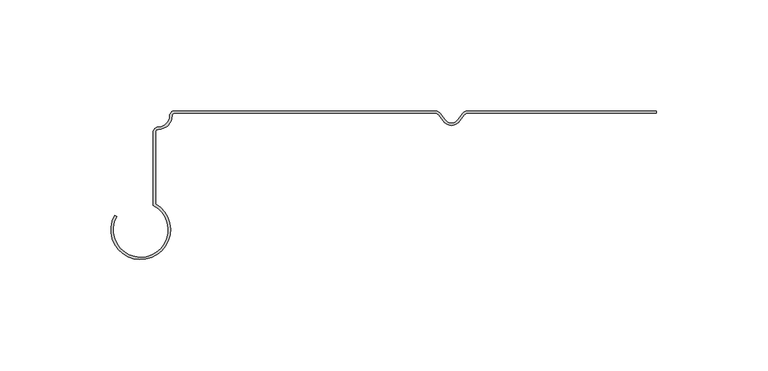
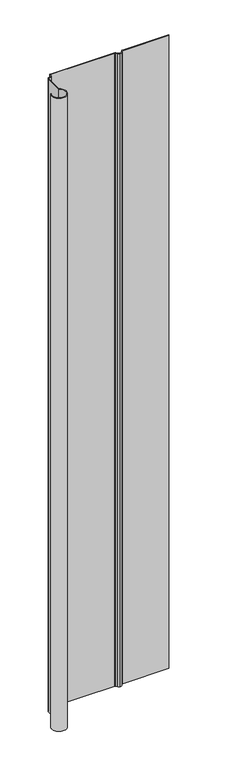
"""IFC4 building model written with IfcOpenShell, lengths in millimetres: plate geometry."""

import ifcopenshell
import ifcopenshell.guid

model = None  # the IFC model being written
_history = None  # IfcOwnerHistory: only IFC2X3 demands one
_inside = {}  # id of a spatial element -> (the spatial element, [elements in it])
_under = {}  # id of a project, library or spatial element -> (it, [spatial elements below it])
_declared = {}  # id of a project -> (the project, [libraries it declares])
_typed = {}  # id of a type object -> (the type object, [elements of that type])
_made_of = {}  # id of a material, layer set ... -> (it, [elements and type objects made of it])


def new_model(schema):
    """Start an empty IFC model of exactly this schema.

    Asked for "IFC4X3", IfcOpenShell would pick the latest addendum, in which some entities
    have other attributes; the version numbers below select the first issue.
    IFC2X3 requires an IfcOwnerHistory on every rooted entity: one is made here for all.
    """
    global model, _history
    if schema == "IFC4X3":
        model = ifcopenshell.file(schema_version=(4, 3, 0, 0))
    else:
        model = ifcopenshell.file(schema=schema)
    _inside.clear()
    _under.clear()
    _declared.clear()
    _typed.clear()
    _made_of.clear()
    _history = None
    if model.schema == "IFC2X3":
        org = make("IfcOrganization", Name="unknown")
        user = make(
            "IfcPersonAndOrganization",
            ThePerson=make("IfcPerson", FamilyName="unknown"),
            TheOrganization=org,
        )
        app = make(
            "IfcApplication",
            ApplicationDeveloper=org,
            Version="unknown",
            ApplicationFullName="unknown",
            ApplicationIdentifier="unknown",
        )
        _history = make(
            "IfcOwnerHistory",
            OwningUser=user,
            OwningApplication=app,
            ChangeAction="ADDED",
            CreationDate=0,
        )
    return model


def make(cls, **values):
    """One entity of the class cls with the attributes given. An attribute that is None is left unset."""
    return model.create_entity(
        cls, **{name: value for name, value in values.items() if value is not None}
    )


def rooted(cls, **values):
    """An entity with a GlobalId (a new one), such as an element, a storey or a relation."""
    return make(cls, GlobalId=ifcopenshell.guid.new(), OwnerHistory=_history, **values)


def si_unit(unit_type, name, prefix=None):
    """IfcSIUnit, for example si_unit("LENGTHUNIT", "METRE", prefix="MILLI")."""
    return make("IfcSIUnit", UnitType=unit_type, Prefix=prefix, Name=name)


def assignment(units):
    """IfcUnitAssignment: the units of a project."""
    return None if units is None else make("IfcUnitAssignment", Units=units)


def point(xyz):
    """IfcCartesianPoint."""
    return None if xyz is None else make("IfcCartesianPoint", Coordinates=xyz)


def direction(xyz):
    """IfcDirection."""
    return None if xyz is None else make("IfcDirection", DirectionRatios=xyz)


def frame(location, z_axis=None, x_axis=None):
    """IfcAxis2Placement3D, a coordinate frame: its origin and axes. An axis left out is left unset."""
    return make(
        "IfcAxis2Placement3D",
        Location=point(location),
        Axis=direction(z_axis),
        RefDirection=direction(x_axis),
    )


def frame_2d(location, x_axis=None):
    """IfcAxis2Placement2D, a coordinate frame in the plane: its origin and x axis."""
    return make(
        "IfcAxis2Placement2D", Location=point(location), RefDirection=direction(x_axis)
    )


def origin():
    """The frame at (0, 0, 0) with its axes left unset."""
    return frame((0.0, 0.0, 0.0))


def origin_with_axes():
    """The frame at (0, 0, 0) with the z axis (0, 0, 1) and the x axis (1, 0, 0) written out."""
    return frame((0.0, 0.0, 0.0), z_axis=(0.0, 0.0, 1.0), x_axis=(1.0, 0.0, 0.0))


def place(relative_to, where):
    """IfcLocalPlacement: puts the frame where relative to a parent placement (None: the world)."""
    return make(
        "IfcLocalPlacement", PlacementRelTo=relative_to, RelativePlacement=where
    )


def context(
    kind, dimensions, precision=None, world=None, true_north=None, identifier=None
):
    """IfcGeometricRepresentationContext, for example the 3D "Model" context."""
    return make(
        "IfcGeometricRepresentationContext",
        ContextIdentifier=identifier,
        ContextType=kind,
        CoordinateSpaceDimension=dimensions,
        Precision=precision,
        WorldCoordinateSystem=world,
        TrueNorth=true_north,
    )


def project(units=None, contexts=None):
    """IfcProject with its units and contexts."""
    return rooted(
        "IfcProject",
        Name="project",
        RepresentationContexts=contexts,
        UnitsInContext=assignment(units),
    )


def spatial(cls, under=None, at=None, **own):
    """A site, building, storey or space (cls), placed at a placement, below another one or the project."""
    s = rooted(cls, ObjectPlacement=at, **own)
    if under is not None:
        _under.setdefault(under.id(), (under, []))[1].append(s)
    return s


def polyline(points):
    """IfcPolyline through the points."""
    return make("IfcPolyline", Points=[point(p) for p in points])


def circle_curve(where, radius):
    """IfcCircle in the frame where."""
    return make("IfcCircle", Position=where, Radius=radius)


def trimmed(basis, trim1, trim2, sense, master):
    """IfcTrimmedCurve: the piece of a basis curve between two trims."""
    return make(
        "IfcTrimmedCurve",
        BasisCurve=basis,
        Trim1=trim1,
        Trim2=trim2,
        SenseAgreement=sense,
        MasterRepresentation=master,
    )


def segment(curve, same_sense, transition):
    """IfcCompositeCurveSegment."""
    return make(
        "IfcCompositeCurveSegment",
        Transition=transition,
        SameSense=same_sense,
        ParentCurve=curve,
    )


def composite_curve(segments, self_intersect=None):
    """IfcCompositeCurve: segments joined end to end."""
    return make("IfcCompositeCurve", Segments=segments, SelfIntersect=self_intersect)


def outline(outer, holes=None, kind="AREA"):
    """IfcArbitraryClosedProfileDef: a profile drawn as a closed curve; with holes, ...WithVoids."""
    if holes is None:
        return make("IfcArbitraryClosedProfileDef", ProfileType=kind, OuterCurve=outer)
    return make(
        "IfcArbitraryProfileDefWithVoids",
        ProfileType=kind,
        OuterCurve=outer,
        InnerCurves=holes,
    )


def extrude(swept, where, along, depth):
    """IfcExtrudedAreaSolid: the profile swept, set in the frame where, extruded along a direction by depth."""
    return make(
        "IfcExtrudedAreaSolid",
        SweptArea=swept,
        Position=where,
        ExtrudedDirection=direction(along),
        Depth=depth,
    )


def shape(context_of_items, identifier, shape_type, items):
    """IfcShapeRepresentation: the items that make up one representation, for example the "Body"."""
    return make(
        "IfcShapeRepresentation",
        ContextOfItems=context_of_items,
        RepresentationIdentifier=identifier,
        RepresentationType=shape_type,
        Items=items,
    )


def source(mapping_origin, context_of_items, identifier, shape_type, items):
    """IfcRepresentationMap: a shape defined once, which mapped items show again and again."""
    return make(
        "IfcRepresentationMap",
        MappingOrigin=mapping_origin,
        MappedRepresentation=shape(context_of_items, identifier, shape_type, items),
    )


def transform(
    local_origin,
    x_axis=None,
    y_axis=None,
    z_axis=None,
    scale=None,
    scale2=None,
    scale3=None,
    uniform=True,
):
    """IfcCartesianTransformationOperator3D, or its non-uniform kind. x_axis, y_axis, z_axis: its Axis1, 2, 3."""
    if uniform:
        return make(
            "IfcCartesianTransformationOperator3D",
            Axis1=direction(x_axis),
            Axis2=direction(y_axis),
            LocalOrigin=point(local_origin),
            Scale=scale,
            Axis3=direction(z_axis),
        )
    return make(
        "IfcCartesianTransformationOperator3DnonUniform",
        Axis1=direction(x_axis),
        Axis2=direction(y_axis),
        LocalOrigin=point(local_origin),
        Scale=scale,
        Axis3=direction(z_axis),
        Scale2=scale2,
        Scale3=scale3,
    )


def mapped(mapping_source, mapping_target):
    """IfcMappedItem: shows the shape of a source again, moved by a transform."""
    return make(
        "IfcMappedItem", MappingSource=mapping_source, MappingTarget=mapping_target
    )


def made_of(thing, what):
    """Note that an element or type object is made of a material, layer set ...; save() writes the relation."""
    if what is not None:
        _made_of.setdefault(what.id(), (what, []))[1].append(thing)
    return thing


def element(
    cls,
    number,
    at=None,
    inside=None,
    cuts=None,
    type_object=None,
    material=None,
    context=None,
    identifier="Body",
    shape_type=None,
    held_by="IfcProductDefinitionShape",
    body=None,
    shapes=None,
    **own,
):
    """One element of the class cls, such as IfcWall. Its Tag is "e" and its number.

    at: its placement. inside: the storey or other place that contains it. cuts: it is an
    opening in that element (IfcRelVoidsElement). A single representation is given by context,
    identifier, shape_type and body (its items); several are given by shapes. held_by: the class
    of the entity that holds the representations. save() writes the other relations.
    """
    e = rooted(cls, Tag="e%d" % number, ObjectPlacement=at, **own)
    if body is not None:
        shapes = [shape(context, identifier, shape_type, body)]
    if shapes is not None:
        e.Representation = make(held_by, Representations=shapes)
    if inside is not None:
        _inside.setdefault(inside.id(), (inside, []))[1].append(e)
    if cuts is not None:
        rooted(
            "IfcRelVoidsElement", RelatingBuildingElement=cuts, RelatedOpeningElement=e
        )
    if type_object is not None:
        _typed.setdefault(type_object.id(), (type_object, []))[1].append(e)
    return made_of(e, material)


def aggregate(whole, parts):
    """IfcRelAggregates: a whole, such as a stair, and the parts it consists of."""
    return rooted("IfcRelAggregates", RelatingObject=whole, RelatedObjects=parts)


def save(model, path):
    """Write the relations noted so far, then the file.

    IfcRelAggregates (storeys below a building ...), IfcRelContainedInSpatialStructure (elements
    in a storey), IfcRelDefinesByType, IfcRelAssociatesMaterial and IfcRelDeclares: one each for
    every whole, place, type object, material and project.
    """
    for whole, parts in _under.values():
        aggregate(whole, parts)
    for where, things in _inside.values():
        rooted(
            "IfcRelContainedInSpatialStructure",
            RelatedElements=things,
            RelatingStructure=where,
        )
    for kind, things in _typed.values():
        rooted("IfcRelDefinesByType", RelatedObjects=things, RelatingType=kind)
    for what, things in _made_of.values():
        rooted("IfcRelAssociatesMaterial", RelatedObjects=things, RelatingMaterial=what)
    for by, libraries in _declared.values():
        rooted("IfcRelDeclares", RelatingContext=by, RelatedDefinitions=libraries)
    model.write(path)


def plate_e012aff8(model_context):
    return source(origin(), model_context, "Body", "SweptSolid", [
        extrude(outline(composite_curve([segment(trimmed(circle_curve(frame_2d((29.7644687, -2.5726732)), 1.5639945), [point((29.6133154, -1.016))], [point((28.4901872, -1.6658736))], True, "CARTESIAN"), True, "CONTINUOUS"), segment(polyline([(28.4901872, -1.6658736), (26.2379847, -4.4520544)]), True, "CONTINUOUS"), segment(trimmed(circle_curve(frame_2d((22.3015605, -1.8878413)), 4.6979383), [point((26.2379847, -4.4520544))], [point((22.612406, -6.5754846))], False, "CARTESIAN"), True, "CONTINUOUS"), segment(trimmed(circle_curve(frame_2d((22.9223089, -1.8877792)), 4.697938), [point((22.612406, -6.5754846))], [point((18.9863986, -4.4527805))], False, "CARTESIAN"), True, "CONTINUOUS"), segment(polyline([(18.9863986, -4.4527805), (16.7336382, -1.6670508)]), True, "CONTINUOUS"), segment(trimmed(circle_curve(frame_2d((15.4564626, -2.5773045)), 1.5683556), [point((16.7336382, -1.6670508))], [point((15.6050139, -1.016))], True, "CARTESIAN"), True, "CONTINUOUS"), segment(polyline([(15.6050139, -1.016), (-102.0979966, -1.016)]), True, "CONTINUOUS"), segment(trimmed(circle_curve(frame_2d((-102.0979966, -2.11836)), 1.10236), [point((-102.0979966, -1.016))], [point((-103.2003566, -2.11836))], True, "CARTESIAN"), True, "CONTINUOUS"), segment(trimmed(circle_curve(frame_2d((-109.3582702, -2.11836)), 6.1579136), [point((-103.2003566, -2.11836))], [point((-109.3582703, -8.2762736))], False, "CARTESIAN"), True, "CONTINUOUS"), segment(trimmed(circle_curve(frame_2d((-109.3582703, -9.5312639)), 1.2549903), [point((-109.3582703, -8.2762736))], [point((-110.6132606, -9.5312639))], True, "CARTESIAN"), True, "CONTINUOUS"), segment(polyline([(-110.6132606, -9.5312639), (-110.6132606, -41.9030792)]), True, "CONTINUOUS"), segment(trimmed(circle_curve(frame_2d((-117.2848489, -53.5211117)), 13.3973418), [point((-110.6132606, -41.9030792))], [point((-129.0403029, -47.0947543))], False, "CARTESIAN"), True, "CONTINUOUS"), segment(polyline([(-129.0403029, -47.0947543), (-128.148817, -47.5821032)]), True, "CONTINUOUS"), segment(trimmed(circle_curve(frame_2d((-117.2848489, -53.5211117)), 12.3813418), [point((-128.148817, -47.5821032))], [point((-111.6292606, -42.5069414))], True, "CARTESIAN"), True, "CONTINUOUS"), segment(polyline([(-111.6292606, -42.5069414), (-111.6292606, -9.5312639)]), True, "CONTINUOUS"), segment(trimmed(circle_curve(frame_2d((-109.3582703, -9.5312639)), 2.2709903), [point((-111.6292606, -9.5312639))], [point((-109.3582703, -7.2602736))], False, "CARTESIAN"), True, "CONTINUOUS"), segment(trimmed(circle_curve(frame_2d((-109.3582702, -2.11836)), 5.1419136), [point((-109.3582703, -7.2602736))], [point((-104.2163566, -2.11836))], True, "CARTESIAN"), True, "CONTINUOUS"), segment(trimmed(circle_curve(frame_2d((-102.0979966, -2.11836)), 2.11836), [point((-104.2163566, -2.11836))], [point((-102.0979966, 0.0))], False, "CARTESIAN"), True, "CONTINUOUS"), segment(polyline([(-102.0979966, 0.0), (15.6685966, 0.0)]), True, "CONTINUOUS"), segment(trimmed(circle_curve(frame_2d((15.4730573, -2.3343375)), 2.342513), [point((15.6685966, 0.0))], [point((17.4217416, -1.0343389))], False, "CARTESIAN"), True, "CONTINUOUS"), segment(polyline([(17.4217416, -1.0343389), (19.6745021, -3.8200686)]), True, "CONTINUOUS"), segment(trimmed(circle_curve(frame_2d((22.9223089, -1.6534042)), 3.904188), [point((19.6745021, -3.8200686))], [point((22.6123263, -5.5452668))], True, "CARTESIAN"), True, "CONTINUOUS"), segment(trimmed(circle_curve(frame_2d((22.3015605, -1.6534664)), 3.9041883), [point((22.6123263, -5.5452668))], [point((25.5498015, -3.8194802))], True, "CARTESIAN"), True, "CONTINUOUS"), segment(polyline([(25.5498015, -3.8194802), (27.7963619, -1.0402792)]), True, "CONTINUOUS"), segment(trimmed(circle_curve(frame_2d((29.7542051, -2.326443)), 2.342513), [point((27.7963619, -1.0402792))], [point((29.4802891, 0.0))], False, "CARTESIAN"), True, "CONTINUOUS"), segment(polyline([(29.4802891, 0.0), (114.9042607, 0.0), (114.9042607, -1.016), (29.6133154, -1.016)]), True, "CONTINUOUS")], self_intersect=False)), origin_with_axes(), (0.0, 0.0, 1.0), 1228.3559792),
    ])


if __name__ == "__main__":
    model = new_model("IFC4")
    model_context = context("Model", 3, world=origin())
    ifc_project = project(units=[si_unit("LENGTHUNIT", "METRE", prefix="MILLI")], contexts=[model_context])
    site = spatial("IfcSite", under=ifc_project)
    building = spatial("IfcBuilding", under=site)
    placement = place(None, origin())
    plate_shape = plate_e012aff8(model_context)
    element("IfcPlate", 1, at=placement, inside=building, context=model_context, shape_type="MappedRepresentation", body=[
        mapped(plate_shape, transform((0.0, 0.0, 0.0), x_axis=(1.0, 0.0, 0.0), y_axis=(0.0, 1.0, 0.0), z_axis=(0.0, 0.0, 1.0))),
    ])
    save(model, "model.ifc")
